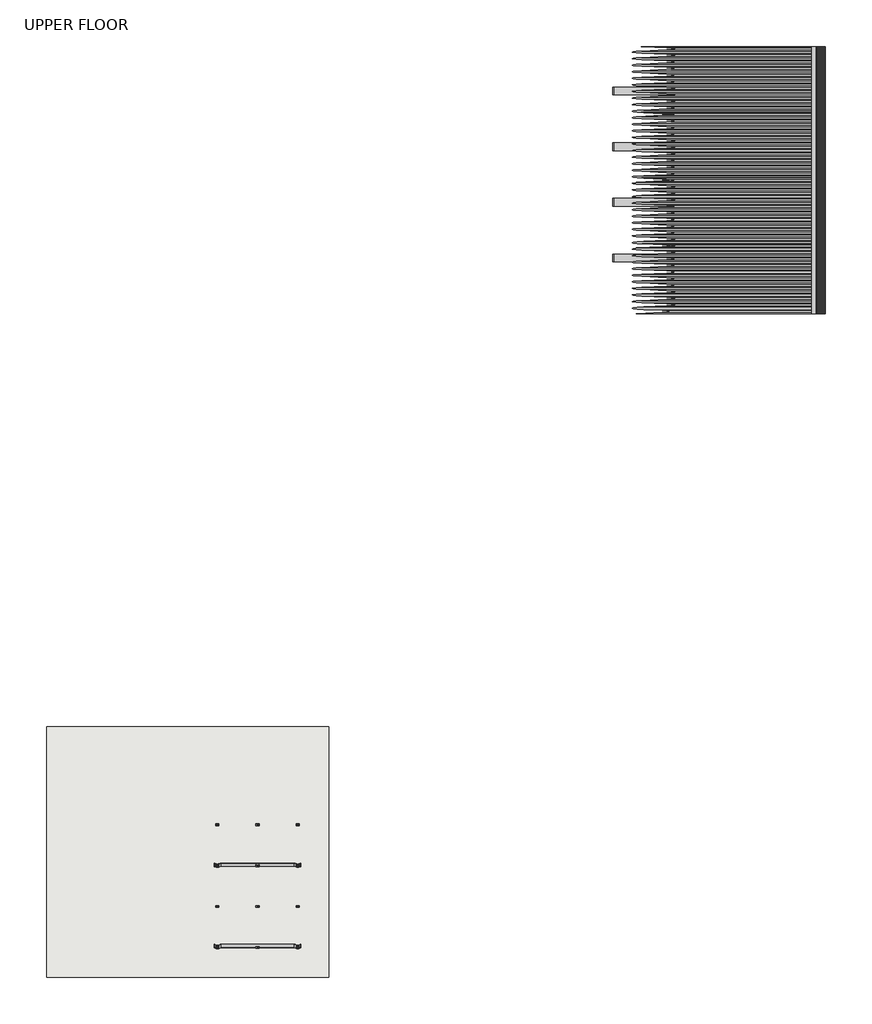
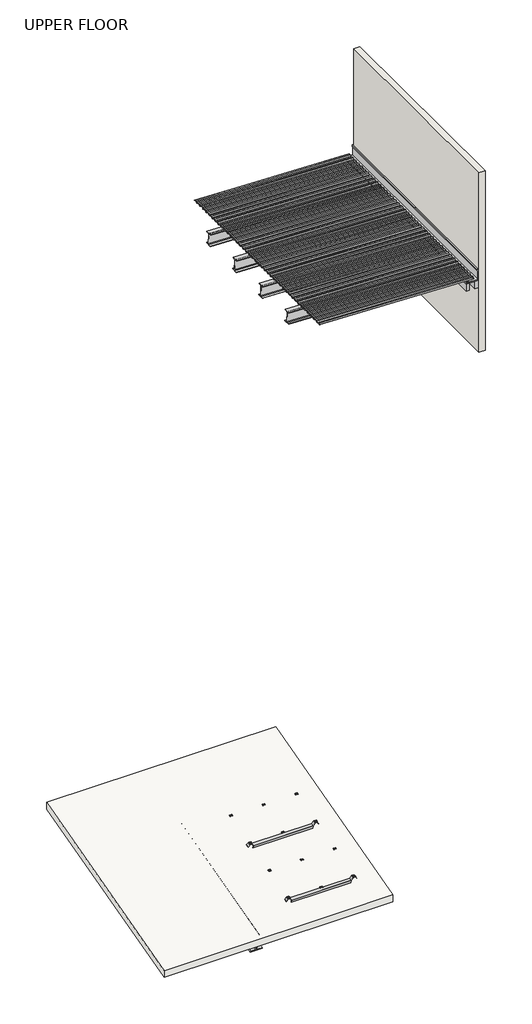
# One storey: 23 beams, 4 proxies, 1 roof, 1 wall.
"""IFC4 building model written with IfcOpenShell, lengths in millimetres."""

import ifcopenshell
import ifcopenshell.guid

model = None  # the IFC model being written
_history = None  # IfcOwnerHistory: only IFC2X3 demands one
_inside = {}  # id of a spatial element -> (the spatial element, [elements in it])
_under = {}  # id of a project, library or spatial element -> (it, [spatial elements below it])
_declared = {}  # id of a project -> (the project, [libraries it declares])
_typed = {}  # id of a type object -> (the type object, [elements of that type])
_made_of = {}  # id of a material, layer set ... -> (it, [elements and type objects made of it])


def new_model(schema):
    """Start an empty IFC model of exactly this schema.

    Asked for "IFC4X3", IfcOpenShell would pick the latest addendum, in which some entities
    have other attributes; the version numbers below select the first issue.
    IFC2X3 requires an IfcOwnerHistory on every rooted entity: one is made here for all.
    """
    global model, _history
    if schema == "IFC4X3":
        model = ifcopenshell.file(schema_version=(4, 3, 0, 0))
    else:
        model = ifcopenshell.file(schema=schema)
    _inside.clear()
    _under.clear()
    _declared.clear()
    _typed.clear()
    _made_of.clear()
    _history = None
    if model.schema == "IFC2X3":
        org = make("IfcOrganization", Name="unknown")
        user = make(
            "IfcPersonAndOrganization",
            ThePerson=make("IfcPerson", FamilyName="unknown"),
            TheOrganization=org,
        )
        app = make(
            "IfcApplication",
            ApplicationDeveloper=org,
            Version="unknown",
            ApplicationFullName="unknown",
            ApplicationIdentifier="unknown",
        )
        _history = make(
            "IfcOwnerHistory",
            OwningUser=user,
            OwningApplication=app,
            ChangeAction="ADDED",
            CreationDate=0,
        )
    return model


def make(cls, **values):
    """One entity of the class cls with the attributes given. An attribute that is None is left unset."""
    return model.create_entity(
        cls, **{name: value for name, value in values.items() if value is not None}
    )


def rooted(cls, **values):
    """An entity with a GlobalId (a new one), such as an element, a storey or a relation."""
    return make(cls, GlobalId=ifcopenshell.guid.new(), OwnerHistory=_history, **values)


def si_unit(unit_type, name, prefix=None):
    """IfcSIUnit, for example si_unit("LENGTHUNIT", "METRE", prefix="MILLI")."""
    return make("IfcSIUnit", UnitType=unit_type, Prefix=prefix, Name=name)


def assignment(units):
    """IfcUnitAssignment: the units of a project."""
    return None if units is None else make("IfcUnitAssignment", Units=units)


def point(xyz):
    """IfcCartesianPoint."""
    return None if xyz is None else make("IfcCartesianPoint", Coordinates=xyz)


def direction(xyz):
    """IfcDirection."""
    return None if xyz is None else make("IfcDirection", DirectionRatios=xyz)


def frame(location, z_axis=None, x_axis=None):
    """IfcAxis2Placement3D, a coordinate frame: its origin and axes. An axis left out is left unset."""
    return make(
        "IfcAxis2Placement3D",
        Location=point(location),
        Axis=direction(z_axis),
        RefDirection=direction(x_axis),
    )


def frame_2d(location, x_axis=None):
    """IfcAxis2Placement2D, a coordinate frame in the plane: its origin and x axis."""
    return make(
        "IfcAxis2Placement2D", Location=point(location), RefDirection=direction(x_axis)
    )


def origin():
    """The frame at (0, 0, 0) with its axes left unset."""
    return frame((0.0, 0.0, 0.0))


def place(relative_to, where):
    """IfcLocalPlacement: puts the frame where relative to a parent placement (None: the world)."""
    return make(
        "IfcLocalPlacement", PlacementRelTo=relative_to, RelativePlacement=where
    )


def context(
    kind, dimensions, precision=None, world=None, true_north=None, identifier=None
):
    """IfcGeometricRepresentationContext, for example the 3D "Model" context."""
    return make(
        "IfcGeometricRepresentationContext",
        ContextIdentifier=identifier,
        ContextType=kind,
        CoordinateSpaceDimension=dimensions,
        Precision=precision,
        WorldCoordinateSystem=world,
        TrueNorth=true_north,
    )


def project(units=None, contexts=None):
    """IfcProject with its units and contexts."""
    return rooted(
        "IfcProject",
        Name="project",
        RepresentationContexts=contexts,
        UnitsInContext=assignment(units),
    )


def spatial(cls, under=None, at=None, **own):
    """A site, building, storey or space (cls), placed at a placement, below another one or the project."""
    s = rooted(cls, ObjectPlacement=at, **own)
    if under is not None:
        _under.setdefault(under.id(), (under, []))[1].append(s)
    return s


def polyline(points):
    """IfcPolyline through the points."""
    return make("IfcPolyline", Points=[point(p) for p in points])


def circle_curve(where, radius):
    """IfcCircle in the frame where."""
    return make("IfcCircle", Position=where, Radius=radius)


def trimmed(basis, trim1, trim2, sense, master):
    """IfcTrimmedCurve: the piece of a basis curve between two trims."""
    return make(
        "IfcTrimmedCurve",
        BasisCurve=basis,
        Trim1=trim1,
        Trim2=trim2,
        SenseAgreement=sense,
        MasterRepresentation=master,
    )


def segment(curve, same_sense, transition):
    """IfcCompositeCurveSegment."""
    return make(
        "IfcCompositeCurveSegment",
        Transition=transition,
        SameSense=same_sense,
        ParentCurve=curve,
    )


def composite_curve(segments, self_intersect=None):
    """IfcCompositeCurve: segments joined end to end."""
    return make("IfcCompositeCurve", Segments=segments, SelfIntersect=self_intersect)


def outline(outer, holes=None, kind="AREA"):
    """IfcArbitraryClosedProfileDef: a profile drawn as a closed curve; with holes, ...WithVoids."""
    if holes is None:
        return make("IfcArbitraryClosedProfileDef", ProfileType=kind, OuterCurve=outer)
    return make(
        "IfcArbitraryProfileDefWithVoids",
        ProfileType=kind,
        OuterCurve=outer,
        InnerCurves=holes,
    )


def extrude(swept, where, along, depth):
    """IfcExtrudedAreaSolid: the profile swept, set in the frame where, extruded along a direction by depth."""
    return make(
        "IfcExtrudedAreaSolid",
        SweptArea=swept,
        Position=where,
        ExtrudedDirection=direction(along),
        Depth=depth,
    )


def shape(context_of_items, identifier, shape_type, items):
    """IfcShapeRepresentation: the items that make up one representation, for example the "Body"."""
    return make(
        "IfcShapeRepresentation",
        ContextOfItems=context_of_items,
        RepresentationIdentifier=identifier,
        RepresentationType=shape_type,
        Items=items,
    )


def source(mapping_origin, context_of_items, identifier, shape_type, items):
    """IfcRepresentationMap: a shape defined once, which mapped items show again and again."""
    return make(
        "IfcRepresentationMap",
        MappingOrigin=mapping_origin,
        MappedRepresentation=shape(context_of_items, identifier, shape_type, items),
    )


def transform(
    local_origin,
    x_axis=None,
    y_axis=None,
    z_axis=None,
    scale=None,
    scale2=None,
    scale3=None,
    uniform=True,
):
    """IfcCartesianTransformationOperator3D, or its non-uniform kind. x_axis, y_axis, z_axis: its Axis1, 2, 3."""
    if uniform:
        return make(
            "IfcCartesianTransformationOperator3D",
            Axis1=direction(x_axis),
            Axis2=direction(y_axis),
            LocalOrigin=point(local_origin),
            Scale=scale,
            Axis3=direction(z_axis),
        )
    return make(
        "IfcCartesianTransformationOperator3DnonUniform",
        Axis1=direction(x_axis),
        Axis2=direction(y_axis),
        LocalOrigin=point(local_origin),
        Scale=scale,
        Axis3=direction(z_axis),
        Scale2=scale2,
        Scale3=scale3,
    )


def mapped(mapping_source, mapping_target):
    """IfcMappedItem: shows the shape of a source again, moved by a transform."""
    return make(
        "IfcMappedItem", MappingSource=mapping_source, MappingTarget=mapping_target
    )


def made_of(thing, what):
    """Note that an element or type object is made of a material, layer set ...; save() writes the relation."""
    if what is not None:
        _made_of.setdefault(what.id(), (what, []))[1].append(thing)
    return thing


def element(
    cls,
    number,
    at=None,
    inside=None,
    cuts=None,
    type_object=None,
    material=None,
    context=None,
    identifier="Body",
    shape_type=None,
    held_by="IfcProductDefinitionShape",
    body=None,
    shapes=None,
    **own,
):
    """One element of the class cls, such as IfcWall. Its Tag is "e" and its number.

    at: its placement. inside: the storey or other place that contains it. cuts: it is an
    opening in that element (IfcRelVoidsElement). A single representation is given by context,
    identifier, shape_type and body (its items); several are given by shapes. held_by: the class
    of the entity that holds the representations. save() writes the other relations.
    """
    e = rooted(cls, Tag="e%d" % number, ObjectPlacement=at, **own)
    if body is not None:
        shapes = [shape(context, identifier, shape_type, body)]
    if shapes is not None:
        e.Representation = make(held_by, Representations=shapes)
    if inside is not None:
        _inside.setdefault(inside.id(), (inside, []))[1].append(e)
    if cuts is not None:
        rooted(
            "IfcRelVoidsElement", RelatingBuildingElement=cuts, RelatedOpeningElement=e
        )
    if type_object is not None:
        _typed.setdefault(type_object.id(), (type_object, []))[1].append(e)
    return made_of(e, material)


def aggregate(whole, parts):
    """IfcRelAggregates: a whole, such as a stair, and the parts it consists of."""
    return rooted("IfcRelAggregates", RelatingObject=whole, RelatedObjects=parts)


def save(model, path):
    """Write the relations noted so far, then the file.

    IfcRelAggregates (storeys below a building ...), IfcRelContainedInSpatialStructure (elements
    in a storey), IfcRelDefinesByType, IfcRelAssociatesMaterial and IfcRelDeclares: one each for
    every whole, place, type object, material and project.
    """
    for whole, parts in _under.values():
        aggregate(whole, parts)
    for where, things in _inside.values():
        rooted(
            "IfcRelContainedInSpatialStructure",
            RelatedElements=things,
            RelatingStructure=where,
        )
    for kind, things in _typed.values():
        rooted("IfcRelDefinesByType", RelatedObjects=things, RelatingType=kind)
    for what, things in _made_of.values():
        rooted("IfcRelAssociatesMaterial", RelatedObjects=things, RelatingMaterial=what)
    for by, libraries in _declared.values():
        rooted("IfcRelDeclares", RelatingContext=by, RelatedDefinitions=libraries)
    model.write(path)


def beam_9de5c819(model_context):
    return source(origin(), model_context, "Body", "SweptSolid", [
        extrude(outline(polyline([(2.0, 3.4641016), (4.0, 0.0), (2.0, -3.4641016), (-2.0, -3.4641016), (-4.0, 0.0), (-2.0, 3.4641016), (2.0, 3.4641016)])), frame((0.0, 0.0, -25.7896475), z_axis=(0.0, 0.0, 1.0), x_axis=(1.0, 0.0, 0.0)), (0.0, 0.0, 1.0), 3.0),
        extrude(outline(composite_curve([segment(trimmed(circle_curve(frame_2d((-11.5, -34.3396475)), 7.55), [point((-11.5, -26.7896475))], [point((-17.6845978, -30.0091452))], True, "CARTESIAN"), True, "CONTINUOUS"), segment(trimmed(circle_curve(frame_2d((-18.0941738, -29.7223569)), 0.5), [point((-17.6845978, -30.0091452))], [point((-18.5037498, -29.4355687))], False, "CARTESIAN"), True, "CONTINUOUS"), segment(trimmed(circle_curve(frame_2d((-11.5, -34.3396475)), 8.55), [point((-18.5037498, -29.4355687))], [point((-11.5, -25.7896475))], False, "CARTESIAN"), True, "CONTINUOUS"), segment(polyline([(-11.5, -25.7896475), (11.5, -25.7896475)]), True, "CONTINUOUS"), segment(trimmed(circle_curve(frame_2d((11.5, -34.3396475)), 8.55), [point((11.5, -25.7896475))], [point((18.5037498, -29.4355687))], False, "CARTESIAN"), True, "CONTINUOUS"), segment(trimmed(circle_curve(frame_2d((18.0941738, -29.7223569)), 0.5), [point((18.5037498, -29.4355687))], [point((17.6845978, -30.0091452))], False, "CARTESIAN"), True, "CONTINUOUS"), segment(trimmed(circle_curve(frame_2d((11.5, -34.3396475)), 7.55), [point((17.6845978, -30.0091452))], [point((11.5, -26.7896475))], True, "CARTESIAN"), True, "CONTINUOUS"), segment(polyline([(11.5, -26.7896475), (-11.5, -26.7896475)]), True, "CONTINUOUS")], self_intersect=False)), frame((-10.003063, 0.0, 0.0), z_axis=(1.0, 0.0, 0.0), x_axis=(0.0, 1.0, 0.0)), (0.0, 0.0, 1.0), 20.0061261),
    ])


def beam_13ac7b86(model_context):
    return source(origin(), model_context, "Body", "SweptSolid", [
        extrude(outline(composite_curve([segment(trimmed(circle_curve(frame_2d((-114.0, -3.7896475)), 22.0), [point((-101.5070748, -21.8983973))], [point((-126.4929252, -21.8983973))], False, "CARTESIAN"), True, "CONTINUOUS"), segment(polyline([(-126.4929252, -21.8983973), (-140.8417071, -11.9994114)]), True, "CONTINUOUS"), segment(trimmed(circle_curve(frame_2d((-152.0, -29.7896475)), 21.0), [point((-140.8417071, -11.9994114))], [point((-163.1582929, -11.9994114))], True, "CARTESIAN"), True, "CONTINUOUS"), segment(polyline([(-163.1582929, -11.9994114), (-177.5070748, -21.8983973)]), True, "CONTINUOUS"), segment(trimmed(circle_curve(frame_2d((-190.0, -3.7896475)), 22.0), [point((-177.5070748, -21.8983973))], [point((-202.4929252, -21.8983973))], False, "CARTESIAN"), True, "CONTINUOUS"), segment(polyline([(-202.4929252, -21.8983973), (-216.8417071, -11.9994114)]), True, "CONTINUOUS"), segment(trimmed(circle_curve(frame_2d((-228.0, -29.7896475)), 21.0), [point((-216.8417071, -11.9994114))], [point((-239.1582929, -11.9994114))], True, "CARTESIAN"), True, "CONTINUOUS"), segment(polyline([(-239.1582929, -11.9994114), (-253.5070748, -21.8983973)]), True, "CONTINUOUS"), segment(trimmed(circle_curve(frame_2d((-266.0, -3.7896475)), 22.0), [point((-253.5070748, -21.8983973))], [point((-278.4929252, -21.8983973))], False, "CARTESIAN"), True, "CONTINUOUS"), segment(polyline([(-278.4929252, -21.8983973), (-292.8417071, -11.9994114)]), True, "CONTINUOUS"), segment(trimmed(circle_curve(frame_2d((-304.0, -29.7896475)), 21.0), [point((-292.8417071, -11.9994114))], [point((-315.1582929, -11.9994114))], True, "CARTESIAN"), True, "CONTINUOUS"), segment(polyline([(-315.1582929, -11.9994114), (-329.5070748, -21.8983973)]), True, "CONTINUOUS"), segment(trimmed(circle_curve(frame_2d((-342.0, -3.7896475)), 22.0), [point((-329.5070748, -21.8983973))], [point((-354.4929252, -21.8983973))], False, "CARTESIAN"), True, "CONTINUOUS"), segment(polyline([(-354.4929252, -21.8983973), (-368.8417071, -11.9994114)]), True, "CONTINUOUS"), segment(trimmed(circle_curve(frame_2d((-380.0, -29.7896475)), 21.0), [point((-368.8417071, -11.9994114))], [point((-391.1582929, -11.9994114))], True, "CARTESIAN"), True, "CONTINUOUS"), segment(polyline([(-391.1582929, -11.9994114), (-405.5070748, -21.8983973)]), True, "CONTINUOUS"), segment(trimmed(circle_curve(frame_2d((-418.0, -3.7896475)), 22.0), [point((-405.5070748, -21.8983973))], [point((-430.4929252, -21.8983973))], False, "CARTESIAN"), True, "CONTINUOUS"), segment(polyline([(-430.4929252, -21.8983973), (-444.8417071, -11.9994114)]), True, "CONTINUOUS"), segment(trimmed(circle_curve(frame_2d((-456.0, -29.7896475)), 21.0), [point((-444.8417071, -11.9994114))], [point((-467.1582929, -11.9994114))], True, "CARTESIAN"), True, "CONTINUOUS"), segment(polyline([(-467.1582929, -11.9994114), (-481.5070748, -21.8983973)]), True, "CONTINUOUS"), segment(trimmed(circle_curve(frame_2d((-494.0, -3.7896475)), 22.0), [point((-481.5070748, -21.8983973))], [point((-506.4929252, -21.8983973))], False, "CARTESIAN"), True, "CONTINUOUS"), segment(polyline([(-506.4929252, -21.8983973), (-520.8417071, -11.9994114)]), True, "CONTINUOUS"), segment(trimmed(circle_curve(frame_2d((-532.0, -29.7896475)), 21.0), [point((-520.8417071, -11.9994114))], [point((-543.1582929, -11.9994114))], True, "CARTESIAN"), True, "CONTINUOUS"), segment(polyline([(-543.1582929, -11.9994114), (-557.5070748, -21.8983973)]), True, "CONTINUOUS"), segment(trimmed(circle_curve(frame_2d((-570.0, -3.7896475)), 22.0), [point((-557.5070748, -21.8983973))], [point((-582.4929252, -21.8983973))], False, "CARTESIAN"), True, "CONTINUOUS"), segment(polyline([(-582.4929252, -21.8983973), (-596.8417071, -11.9994114)]), True, "CONTINUOUS"), segment(trimmed(circle_curve(frame_2d((-608.0, -29.7896475)), 21.0), [point((-596.8417071, -11.9994114))], [point((-619.1582929, -11.9994114))], True, "CARTESIAN"), True, "CONTINUOUS"), segment(polyline([(-619.1582929, -11.9994114), (-633.5070748, -21.8983973)]), True, "CONTINUOUS"), segment(trimmed(circle_curve(frame_2d((-646.0, -3.7896475)), 22.0), [point((-633.5070748, -21.8983973))], [point((-658.4929252, -21.8983973))], False, "CARTESIAN"), True, "CONTINUOUS"), segment(polyline([(-658.4929252, -21.8983973), (-672.8417071, -11.9994114)]), True, "CONTINUOUS"), segment(trimmed(circle_curve(frame_2d((-684.0, -29.7896475)), 21.0), [point((-672.8417071, -11.9994114))], [point((-695.1582929, -11.9994114))], True, "CARTESIAN"), True, "CONTINUOUS"), segment(polyline([(-695.1582929, -11.9994114), (-709.5070748, -21.8983973)]), True, "CONTINUOUS"), segment(trimmed(circle_curve(frame_2d((-722.0, -3.7896475)), 22.0), [point((-709.5070748, -21.8983973))], [point((-734.4929252, -21.8983973))], False, "CARTESIAN"), True, "CONTINUOUS"), segment(polyline([(-734.4929252, -21.8983973), (-748.8417071, -11.9994114)]), True, "CONTINUOUS"), segment(trimmed(circle_curve(frame_2d((-760.0, -29.7896475)), 21.0), [point((-748.8417071, -11.9994114))], [point((-771.1582929, -11.9994114))], True, "CARTESIAN"), True, "CONTINUOUS"), segment(polyline([(-771.1582929, -11.9994114), (-785.1206351, -21.631799)]), True, "CONTINUOUS"), segment(trimmed(circle_curve(frame_2d((-785.4045652, -21.2202365)), 0.5), [point((-785.1206351, -21.631799))], [point((-785.6884953, -20.808674))], False, "CARTESIAN"), True, "CONTINUOUS"), segment(polyline([(-785.6884953, -20.808674), (-771.7083687, -11.1640172)]), True, "CONTINUOUS"), segment(trimmed(circle_curve(frame_2d((-760.0, -29.7896475)), 22.0), [point((-771.7083687, -11.1640172))], [point((-748.2916313, -11.1640172))], False, "CARTESIAN"), True, "CONTINUOUS"), segment(polyline([(-748.2916313, -11.1640172), (-733.925065, -21.0752723)]), True, "CONTINUOUS"), segment(trimmed(circle_curve(frame_2d((-722.0, -3.7896475)), 21.0), [point((-733.925065, -21.0752723))], [point((-710.074935, -21.0752723))], True, "CARTESIAN"), True, "CONTINUOUS"), segment(polyline([(-710.074935, -21.0752723), (-695.7083687, -11.1640172)]), True, "CONTINUOUS"), segment(trimmed(circle_curve(frame_2d((-684.0, -29.7896475)), 22.0), [point((-695.7083687, -11.1640172))], [point((-672.2916313, -11.1640172))], False, "CARTESIAN"), True, "CONTINUOUS"), segment(polyline([(-672.2916313, -11.1640172), (-657.925065, -21.0752723)]), True, "CONTINUOUS"), segment(trimmed(circle_curve(frame_2d((-646.0, -3.7896475)), 21.0), [point((-657.925065, -21.0752723))], [point((-634.074935, -21.0752723))], True, "CARTESIAN"), True, "CONTINUOUS"), segment(polyline([(-634.074935, -21.0752723), (-619.7083687, -11.1640172)]), True, "CONTINUOUS"), segment(trimmed(circle_curve(frame_2d((-608.0, -29.7896475)), 22.0), [point((-619.7083687, -11.1640172))], [point((-596.2916313, -11.1640172))], False, "CARTESIAN"), True, "CONTINUOUS"), segment(polyline([(-596.2916313, -11.1640172), (-581.925065, -21.0752723)]), True, "CONTINUOUS"), segment(trimmed(circle_curve(frame_2d((-570.0, -3.7896475)), 21.0), [point((-581.925065, -21.0752723))], [point((-558.074935, -21.0752723))], True, "CARTESIAN"), True, "CONTINUOUS"), segment(polyline([(-558.074935, -21.0752723), (-543.7083687, -11.1640172)]), True, "CONTINUOUS"), segment(trimmed(circle_curve(frame_2d((-532.0, -29.7896475)), 22.0), [point((-543.7083687, -11.1640172))], [point((-520.2916313, -11.1640172))], False, "CARTESIAN"), True, "CONTINUOUS"), segment(polyline([(-520.2916313, -11.1640172), (-505.925065, -21.0752723)]), True, "CONTINUOUS"), segment(trimmed(circle_curve(frame_2d((-494.0, -3.7896475)), 21.0), [point((-505.925065, -21.0752723))], [point((-482.074935, -21.0752723))], True, "CARTESIAN"), True, "CONTINUOUS"), segment(polyline([(-482.074935, -21.0752723), (-467.7083687, -11.1640172)]), True, "CONTINUOUS"), segment(trimmed(circle_curve(frame_2d((-456.0, -29.7896475)), 22.0), [point((-467.7083687, -11.1640172))], [point((-444.2916313, -11.1640172))], False, "CARTESIAN"), True, "CONTINUOUS"), segment(polyline([(-444.2916313, -11.1640172), (-429.925065, -21.0752723)]), True, "CONTINUOUS"), segment(trimmed(circle_curve(frame_2d((-418.0, -3.7896475)), 21.0), [point((-429.925065, -21.0752723))], [point((-406.074935, -21.0752723))], True, "CARTESIAN"), True, "CONTINUOUS"), segment(polyline([(-406.074935, -21.0752723), (-391.7083687, -11.1640172)]), True, "CONTINUOUS"), segment(trimmed(circle_curve(frame_2d((-380.0, -29.7896475)), 22.0), [point((-391.7083687, -11.1640172))], [point((-368.2916313, -11.1640172))], False, "CARTESIAN"), True, "CONTINUOUS"), segment(polyline([(-368.2916313, -11.1640172), (-353.925065, -21.0752723)]), True, "CONTINUOUS"), segment(trimmed(circle_curve(frame_2d((-342.0, -3.7896475)), 21.0), [point((-353.925065, -21.0752723))], [point((-330.074935, -21.0752723))], True, "CARTESIAN"), True, "CONTINUOUS"), segment(polyline([(-330.074935, -21.0752723), (-315.7083687, -11.1640172)]), True, "CONTINUOUS"), segment(trimmed(circle_curve(frame_2d((-304.0, -29.7896475)), 22.0), [point((-315.7083687, -11.1640172))], [point((-292.2916313, -11.1640172))], False, "CARTESIAN"), True, "CONTINUOUS"), segment(polyline([(-292.2916313, -11.1640172), (-277.925065, -21.0752723)]), True, "CONTINUOUS"), segment(trimmed(circle_curve(frame_2d((-266.0, -3.7896475)), 21.0), [point((-277.925065, -21.0752723))], [point((-254.074935, -21.0752723))], True, "CARTESIAN"), True, "CONTINUOUS"), segment(polyline([(-254.074935, -21.0752723), (-239.7083687, -11.1640172)]), True, "CONTINUOUS"), segment(trimmed(circle_curve(frame_2d((-228.0, -29.7896475)), 22.0), [point((-239.7083687, -11.1640172))], [point((-216.2916313, -11.1640172))], False, "CARTESIAN"), True, "CONTINUOUS"), segment(polyline([(-216.2916313, -11.1640172), (-201.925065, -21.0752723)]), True, "CONTINUOUS"), segment(trimmed(circle_curve(frame_2d((-190.0, -3.7896475)), 21.0), [point((-201.925065, -21.0752723))], [point((-178.074935, -21.0752723))], True, "CARTESIAN"), True, "CONTINUOUS"), segment(polyline([(-178.074935, -21.0752723), (-163.7083687, -11.1640172)]), True, "CONTINUOUS"), segment(trimmed(circle_curve(frame_2d((-152.0, -29.7896475)), 22.0), [point((-163.7083687, -11.1640172))], [point((-140.2916313, -11.1640172))], False, "CARTESIAN"), True, "CONTINUOUS"), segment(polyline([(-140.2916313, -11.1640172), (-125.925065, -21.0752723)]), True, "CONTINUOUS"), segment(trimmed(circle_curve(frame_2d((-114.0, -3.7896475)), 21.0), [point((-125.925065, -21.0752723))], [point((-102.074935, -21.0752723))], True, "CARTESIAN"), True, "CONTINUOUS"), segment(polyline([(-102.074935, -21.0752723), (-87.7083687, -11.1640172)]), True, "CONTINUOUS"), segment(trimmed(circle_curve(frame_2d((-76.0, -29.7896475)), 22.0), [point((-87.7083687, -11.1640172))], [point((-64.2916313, -11.1640172))], False, "CARTESIAN"), True, "CONTINUOUS"), segment(polyline([(-64.2916313, -11.1640172), (-51.2411976, -20.1672943)]), True, "CONTINUOUS"), segment(trimmed(circle_curve(frame_2d((-36.2390033, 1.8579031)), 26.6491117), [point((-51.2411976, -20.1672943))], [point((-21.236809, -20.1672943))], True, "CARTESIAN"), True, "CONTINUOUS"), segment(polyline([(-21.236809, -20.1672943), (-10.6086461, -12.8351015)]), True, "CONTINUOUS"), segment(trimmed(circle_curve(frame_2d((0.0, -29.7896475)), 20.0), [point((-10.6086461, -12.8351015))], [point((10.6086461, -12.8351015))], False, "CARTESIAN"), True, "CONTINUOUS"), segment(polyline([(10.6086461, -12.8351015), (24.9392146, -22.7215223)]), True, "CONTINUOUS"), segment(trimmed(circle_curve(frame_2d((24.6552844, -23.1330848)), 0.5), [point((24.9392146, -22.7215223))], [point((24.3713543, -23.5446473))], False, "CARTESIAN"), True, "CONTINUOUS"), segment(polyline([(24.3713543, -23.5446473), (10.0594608, -13.6711101)]), True, "CONTINUOUS"), segment(trimmed(circle_curve(frame_2d((0.0, -29.7896475)), 19.0), [point((10.0594608, -13.6711101))], [point((-10.0594608, -13.6711101))], True, "CARTESIAN"), True, "CONTINUOUS"), segment(polyline([(-10.0594608, -13.6711101), (-20.4055053, -20.808674)]), True, "CONTINUOUS"), segment(trimmed(circle_curve(frame_2d((-36.2390033, 1.8579031)), 27.6491117), [point((-20.4055053, -20.808674))], [point((-51.8066318, -20.992093))], False, "CARTESIAN"), True, "CONTINUOUS"), segment(polyline([(-51.8066318, -20.992093), (-64.8417071, -11.9994114)]), True, "CONTINUOUS"), segment(trimmed(circle_curve(frame_2d((-76.0, -29.7896475)), 21.0), [point((-64.8417071, -11.9994114))], [point((-87.1582929, -11.9994114))], True, "CARTESIAN"), True, "CONTINUOUS"), segment(polyline([(-87.1582929, -11.9994114), (-101.5070748, -21.8983973)]), True, "CONTINUOUS")], self_intersect=False)), frame((-1100.6390189, 0.0, 0.0), z_axis=(1.0, 0.0, 0.0), x_axis=(0.0, 1.0, 0.0)), (0.0, 0.0, 1.0), 2201.2780379),
    ])


def ub_universal_beams_310ub40_4_2dd72c29(model_context):
    return source(origin(), model_context, "Body", "SweptSolid", [
        extrude(outline(composite_curve([segment(polyline([(82.5, -141.8), (82.5, -152.0), (-82.5, -152.0), (-82.5, -141.8), (-14.45, -141.8)]), True, "CONTINUOUS"), segment(trimmed(circle_curve(frame_2d((-14.45, -130.4)), 11.4), [point((-14.45, -141.8))], [point((-3.05, -130.4))], True, "CARTESIAN"), True, "CONTINUOUS"), segment(polyline([(-3.05, -130.4), (-3.05, 130.4)]), True, "CONTINUOUS"), segment(trimmed(circle_curve(frame_2d((-14.45, 130.4)), 11.4), [point((-3.05, 130.4))], [point((-14.45, 141.8))], True, "CARTESIAN"), True, "CONTINUOUS"), segment(polyline([(-14.45, 141.8), (-82.5, 141.8), (-82.5, 152.0), (82.5, 152.0), (82.5, 141.8), (14.45, 141.8)]), True, "CONTINUOUS"), segment(trimmed(circle_curve(frame_2d((14.45, 130.4)), 11.4), [point((14.45, 141.8))], [point((3.05, 130.4))], True, "CARTESIAN"), True, "CONTINUOUS"), segment(polyline([(3.05, 130.4), (3.05, -130.4)]), True, "CONTINUOUS"), segment(trimmed(circle_curve(frame_2d((14.45, -130.4)), 11.4), [point((3.05, -130.4))], [point((14.45, -141.8))], True, "CARTESIAN"), True, "CONTINUOUS"), segment(polyline([(14.45, -141.8), (82.5, -141.8)]), True, "CONTINUOUS")], self_intersect=False)), frame((-1119.7, 0.0, 0.0), z_axis=(1.0, 0.0, 0.0), x_axis=(0.0, 1.0, 0.0)), (0.0, 0.0, 1.0), 2026.7),
    ])


def ub_universal_beams1_180ub16_1_2_0ceb9c67(model_context):
    return source(origin(), model_context, "Body", "SweptSolid", [
        extrude(outline(composite_curve([segment(polyline([(45.0, -79.5), (45.0, -86.5), (-45.0, -86.5), (-45.0, -79.5), (-11.15, -79.5)]), True, "CONTINUOUS"), segment(trimmed(circle_curve(frame_2d((-11.15, -70.6)), 8.9), [point((-11.15, -79.5))], [point((-2.25, -70.6))], True, "CARTESIAN"), True, "CONTINUOUS"), segment(polyline([(-2.25, -70.6), (-2.25, 70.6)]), True, "CONTINUOUS"), segment(trimmed(circle_curve(frame_2d((-11.15, 70.6)), 8.9), [point((-2.25, 70.6))], [point((-11.15, 79.5))], True, "CARTESIAN"), True, "CONTINUOUS"), segment(polyline([(-11.15, 79.5), (-45.0, 79.5), (-45.0, 86.5), (45.0, 86.5), (45.0, 79.5), (11.15, 79.5)]), True, "CONTINUOUS"), segment(trimmed(circle_curve(frame_2d((11.15, 70.6)), 8.9), [point((11.15, 79.5))], [point((2.25, 70.6))], True, "CARTESIAN"), True, "CONTINUOUS"), segment(polyline([(2.25, 70.6), (2.25, -70.6)]), True, "CONTINUOUS"), segment(trimmed(circle_curve(frame_2d((11.15, -70.6)), 8.9), [point((2.25, -70.6))], [point((11.15, -79.5))], True, "CARTESIAN"), True, "CONTINUOUS"), segment(polyline([(11.15, -79.5), (45.0, -79.5)]), True, "CONTINUOUS")], self_intersect=False)), frame((-1180.5, 0.0, 0.0), z_axis=(1.0, 0.0, 0.0), x_axis=(0.0, 1.0, 0.0)), (0.0, 0.0, 1.0), 2361.0),
    ])


def generic_models_63b4b1ea(model_context):
    return source(origin(), model_context, "Body", "SweptSolid", [
        extrude(outline(composite_curve([segment(polyline([(3799.2452806, -1367.0226803), (3799.2452806, -1197.0226803), (3949.6655464, -1197.0226803)]), True, "CONTINUOUS"), segment(trimmed(circle_curve(frame_2d((3949.6655464, -1202.0226803)), 5.0), [point((3949.6655464, -1197.0226803))], [point((3949.6655464, -1207.0226803))], False, "CARTESIAN"), True, "CONTINUOUS"), segment(polyline([(3949.6655464, -1207.0226803), (3929.6655464, -1207.0226803), (3929.6655464, -1202.0226803), (3804.2452806, -1202.0226803), (3804.2452806, -1362.0226803), (3823.7887381, -1362.0226803), (3821.6496348, -1337.5726181)]), True, "CONTINUOUS"), segment(trimmed(circle_curve(frame_2d((3824.1401216, -1337.3547288)), 2.5), [point((3821.6496348, -1337.5726181))], [point((3826.6306083, -1337.1368394))], False, "CARTESIAN"), True, "CONTINUOUS"), segment(polyline([(3826.6306083, -1337.1368394), (3829.2452806, -1367.0226803), (3799.2452806, -1367.0226803)]), True, "CONTINUOUS")], self_intersect=False)), frame((0.0, -4545.130694, 0.0), z_axis=(0.0, 1.0, 0.0), x_axis=(0.0, 0.0, 1.0)), (0.0, 0.0, 1.0), 3090.0),
    ])


def proxy_45_x_140_beam_1_45_x_140_truss_622256ae(model_context):
    return source(origin(), model_context, "Body", "SweptSolid", [
        extrude(outline(polyline([(-1197.0226803, -4545.130694), (-1242.0226803, -4545.130694), (-1242.0226803, -1455.130694), (-1197.0226803, -1455.130694), (-1197.0226803, -4545.130694)])), frame((0.0, 0.0, 3679.1177703), z_axis=(0.0, 0.0, 1.0), x_axis=(1.0, 0.0, 0.0)), (0.0, 0.0, 1.0), 105.1275103),
    ])


def proxy_45_x_140_beam_45_x_140_truss_1d6dda72(model_context):
    return source(origin(), model_context, "Body", "SweptSolid", [
        extrude(outline(polyline([(-1197.0226803, -4545.130694), (-1242.0226803, -4545.130694), (-1242.0226803, -1455.130694), (-1197.0226803, -1455.130694), (-1197.0226803, -4545.130694)])), frame((0.0, 0.0, 3675.1978483), z_axis=(0.0, 0.0, 1.0), x_axis=(1.0, 0.0, 0.0)), (0.0, 0.0, 1.0), 109.0474323),
    ])


def gutter_board_gutter_board_72dd4f1a(model_context):
    return source(origin(), model_context, "Body", "SweptSolid", [
        extrude(outline(polyline([(-1197.0226803, -4545.130694), (-1367.0226803, -4545.130694), (-1367.0226803, -1455.130694), (-1197.0226803, -1455.130694), (-1197.0226803, -4545.130694)])), frame((0.0, 0.0, 3784.2452806), z_axis=(0.0, 0.0, 1.0), x_axis=(1.0, 0.0, 0.0)), (0.0, 0.0, 1.0), 15.0),
    ])


model = new_model("IFC4")

# Units and contexts
model_context = context("Model", 3, world=origin())
ifc_project = project(units=[si_unit("LENGTHUNIT", "METRE", prefix="MILLI")], contexts=[model_context])

# Site, building, storey
site = spatial("IfcSite", under=ifc_project)
building = spatial("IfcBuilding", under=site)
storey = spatial("IfcBuildingStorey", under=building, Name="UPPER FLOOR", Elevation=2700.0)

# Beams
placement = place(None, origin())
element("IfcBeam", 1, at=placement, inside=storey, context=model_context, shape_type="SweptSolid", body=[
    extrude(outline(composite_curve([segment(polyline([(1.55, 1.55), (1.55, 24.55)]), True, "CONTINUOUS"), segment(trimmed(circle_curve(frame_2d((0.0, 24.55)), 1.55), [point((1.55, 24.55))], [point((0.9236138, 25.7947641))], True, "CARTESIAN"), True, "CONTINUOUS"), segment(polyline([(0.9236138, 25.7947641), (-35.1616412, 49.6862944)]), True, "CONTINUOUS"), segment(trimmed(circle_curve(frame_2d((-34.8856148, 50.1031989)), 0.5), [point((-35.1616412, 49.6862944))], [point((-34.6095882, 50.5201034))], False, "CARTESIAN"), True, "CONTINUOUS"), segment(polyline([(-34.6095882, 50.5201034), (1.4952259, 26.6156233)]), True, "CONTINUOUS"), segment(trimmed(circle_curve(frame_2d((0.0, 24.55)), 2.55), [point((1.4952259, 26.6156233))], [point((2.55, 24.55))], False, "CARTESIAN"), True, "CONTINUOUS"), segment(polyline([(2.55, 24.55), (2.55, 1.55)]), True, "CONTINUOUS"), segment(trimmed(circle_curve(frame_2d((0.0, 1.55)), 2.55), [point((2.55, 1.55))], [point((1.4952259, -0.5156232))], False, "CARTESIAN"), True, "CONTINUOUS"), segment(polyline([(1.4952259, -0.5156232), (-39.45, -27.6248707), (-39.45, -876.2751293), (1.4952259, -903.3843767)]), True, "CONTINUOUS"), segment(trimmed(circle_curve(frame_2d((0.0, -905.45)), 2.55), [point((1.4952259, -903.3843767))], [point((2.55, -905.45))], False, "CARTESIAN"), True, "CONTINUOUS"), segment(polyline([(2.55, -905.45), (2.55, -928.45)]), True, "CONTINUOUS"), segment(trimmed(circle_curve(frame_2d((0.0, -928.45)), 2.55), [point((2.55, -928.45))], [point((1.4952259, -930.5156232))], False, "CARTESIAN"), True, "CONTINUOUS"), segment(polyline([(1.4952259, -930.5156232), (-34.6095882, -954.4201033)]), True, "CONTINUOUS"), segment(trimmed(circle_curve(frame_2d((-34.8856148, -954.0031988)), 0.5), [point((-34.6095882, -954.4201033))], [point((-35.1616412, -953.5862943))], False, "CARTESIAN"), True, "CONTINUOUS"), segment(polyline([(-35.1616412, -953.5862943), (0.9236138, -929.694764)]), True, "CONTINUOUS"), segment(trimmed(circle_curve(frame_2d((0.0, -928.45)), 1.55), [point((0.9236138, -929.694764))], [point((1.55, -928.45))], True, "CARTESIAN"), True, "CONTINUOUS"), segment(polyline([(1.55, -928.45), (1.55, -905.45)]), True, "CONTINUOUS"), segment(trimmed(circle_curve(frame_2d((0.0, -905.45)), 1.55), [point((1.55, -905.45))], [point((0.9236138, -904.2052359))], True, "CARTESIAN"), True, "CONTINUOUS"), segment(polyline([(0.9236138, -904.2052359), (-40.45, -876.812359), (-40.45, -27.0876409), (0.9236138, 0.305236)]), True, "CONTINUOUS"), segment(trimmed(circle_curve(frame_2d((0.0, 1.55)), 1.55), [point((0.9236138, 0.305236))], [point((1.55, 1.55))], True, "CARTESIAN"), True, "CONTINUOUS")], self_intersect=False)), frame((-7215.3083778, -11890.8527308, 1345.3413841), z_axis=(0.0, 0.9656300499084368, 0.25992038533718337), x_axis=(0.0, -0.25992038533718337, 0.9656300499084368)), (0.0, 0.0, 1.0), 40.0),
    extrude(outline(polyline([(0.0, -1.0000001), (0.0, 0.0), (849.7247181, 0.0), (849.7247181, -1.0000001), (0.0, -1.0000001)])), frame((-8092.1207368, -11868.9765057, 1267.916367), z_axis=(0.0, -0.25992038533718337, 0.9656300499084368), x_axis=(1.0, 0.0, 0.0)), (0.0, 0.0, 1.0), 40.0),
])
element("IfcBeam", 2, at=placement, inside=storey, context=model_context, shape_type="SweptSolid", body=[
    extrude(outline(composite_curve([segment(polyline([(1.55, 1.55), (1.55, 24.55)]), True, "CONTINUOUS"), segment(trimmed(circle_curve(frame_2d((0.0, 24.55)), 1.55), [point((1.55, 24.55))], [point((0.9236139, 25.7947641))], True, "CARTESIAN"), True, "CONTINUOUS"), segment(polyline([(0.9236139, 25.7947641), (-35.1616411, 49.6862944)]), True, "CONTINUOUS"), segment(trimmed(circle_curve(frame_2d((-34.8856147, 50.1031989)), 0.5), [point((-35.1616411, 49.6862944))], [point((-34.6095882, 50.5201034))], False, "CARTESIAN"), True, "CONTINUOUS"), segment(polyline([(-34.6095882, 50.5201034), (1.4952259, 26.6156233)]), True, "CONTINUOUS"), segment(trimmed(circle_curve(frame_2d((0.0, 24.55)), 2.55), [point((1.4952259, 26.6156233))], [point((2.55, 24.55))], False, "CARTESIAN"), True, "CONTINUOUS"), segment(polyline([(2.55, 24.55), (2.55, 1.55)]), True, "CONTINUOUS"), segment(trimmed(circle_curve(frame_2d((0.0, 1.55)), 2.55), [point((2.55, 1.55))], [point((1.4952259, -0.5156232))], False, "CARTESIAN"), True, "CONTINUOUS"), segment(polyline([(1.4952259, -0.5156232), (-39.45, -27.6248707), (-39.45, -876.2751293), (1.4952259, -903.3843767)]), True, "CONTINUOUS"), segment(trimmed(circle_curve(frame_2d((0.0, -905.45)), 2.55), [point((1.4952259, -903.3843767))], [point((2.55, -905.45))], False, "CARTESIAN"), True, "CONTINUOUS"), segment(polyline([(2.55, -905.45), (2.55, -928.45)]), True, "CONTINUOUS"), segment(trimmed(circle_curve(frame_2d((0.0, -928.45)), 2.55), [point((2.55, -928.45))], [point((1.4952259, -930.5156232))], False, "CARTESIAN"), True, "CONTINUOUS"), segment(polyline([(1.4952259, -930.5156232), (-34.6095882, -954.4201033)]), True, "CONTINUOUS"), segment(trimmed(circle_curve(frame_2d((-34.8856147, -954.0031988)), 0.5), [point((-34.6095882, -954.4201033))], [point((-35.1616411, -953.5862943))], False, "CARTESIAN"), True, "CONTINUOUS"), segment(polyline([(-35.1616411, -953.5862943), (0.9236139, -929.694764)]), True, "CONTINUOUS"), segment(trimmed(circle_curve(frame_2d((0.0, -928.45)), 1.55), [point((0.9236139, -929.694764))], [point((1.55, -928.45))], True, "CARTESIAN"), True, "CONTINUOUS"), segment(polyline([(1.55, -928.45), (1.55, -905.45)]), True, "CONTINUOUS"), segment(trimmed(circle_curve(frame_2d((0.0, -905.45)), 1.55), [point((1.55, -905.45))], [point((0.9236139, -904.2052359))], True, "CARTESIAN"), True, "CONTINUOUS"), segment(polyline([(0.9236139, -904.2052359), (-40.45, -876.812359), (-40.45, -27.0876409), (0.9236139, 0.305236)]), True, "CONTINUOUS"), segment(trimmed(circle_curve(frame_2d((0.0, 1.55)), 1.55), [point((0.9236139, 0.305236))], [point((1.55, 1.55))], True, "CARTESIAN"), True, "CONTINUOUS")], self_intersect=False)), frame((-7215.3083778, -10951.070823, 1597.1468425), z_axis=(0.0, 0.9656300499084368, 0.25992038533718337), x_axis=(0.0, -0.25992038533718337, 0.9656300499084368)), (0.0, 0.0, 1.0), 40.0),
    extrude(outline(polyline([(0.0, -1.0), (0.0, 0.0), (849.7247181, 0.0), (849.7247181, -1.0), (0.0, -1.0)])), frame((-8092.1207368, -10929.194598, 1519.7218254), z_axis=(0.0, -0.25992038533718337, 0.9656300499084368), x_axis=(1.0, 0.0, 0.0)), (0.0, 0.0, 1.0), 40.0),
])
beam_shape = beam_9de5c819(model_context)
element("IfcBeam", 3, at=placement, inside=storey, context=model_context, shape_type="MappedRepresentation", body=[
    mapped(beam_shape, transform((-7202.0034266, -11887.6274179, 1381.7719636), x_axis=(0.0, -0.9656300499084401, -0.2599203853371707), y_axis=(1.0, 0.0, 0.0), z_axis=(0.0, -0.25992038533717077, 0.9656300499084403))),
])
element("IfcBeam", 4, at=placement, inside=storey, context=model_context, shape_type="MappedRepresentation", body=[
    mapped(beam_shape, transform((-8132.0815122, -11887.6274179, 1381.7719636), x_axis=(0.0, -0.9656300499084401, -0.2599203853371707), y_axis=(1.0, 0.0, 0.0), z_axis=(0.0, -0.25992038533717077, 0.9656300499084403))),
])
element("IfcBeam", 5, at=placement, inside=storey, context=model_context, shape_type="MappedRepresentation", body=[
    mapped(beam_shape, transform((-7667.0815516, -11887.6274179, 1381.7719636), x_axis=(0.0, -0.9656300499084401, -0.2599203853371707), y_axis=(1.0, 0.0, 0.0), z_axis=(0.0, -0.25992038533717077, 0.9656300499084403))),
])
element("IfcBeam", 6, at=placement, inside=storey, context=model_context, shape_type="MappedRepresentation", body=[
    mapped(beam_shape, transform((-7202.0034266, -10941.0201081, 1635.4146278), x_axis=(0.0, -0.9656300499084401, -0.2599203853371707), y_axis=(1.0, 0.0, 0.0), z_axis=(0.0, -0.25992038533717077, 0.9656300499084403))),
])
element("IfcBeam", 7, at=placement, inside=storey, context=model_context, shape_type="MappedRepresentation", body=[
    mapped(beam_shape, transform((-8132.0815122, -10941.0201081, 1635.4146278), x_axis=(0.0, -0.9656300499084401, -0.2599203853371707), y_axis=(1.0, 0.0, 0.0), z_axis=(0.0, -0.25992038533717077, 0.9656300499084403))),
])
element("IfcBeam", 8, at=placement, inside=storey, context=model_context, shape_type="MappedRepresentation", body=[
    mapped(beam_shape, transform((-7667.0815516, -10941.0201081, 1635.4146278), x_axis=(0.0, -0.9656300499084401, -0.2599203853371707), y_axis=(1.0, 0.0, 0.0), z_axis=(0.0, -0.25992038533717077, 0.9656300499084403))),
])
element("IfcBeam", 9, at=placement, inside=storey, context=model_context, shape_type="MappedRepresentation", body=[
    mapped(beam_shape, transform((-7202.0034266, -11412.8160008, 1508.9972994), x_axis=(0.0, -0.9656300499084401, -0.2599203853371707), y_axis=(1.0, 0.0, 0.0), z_axis=(0.0, -0.25992038533717077, 0.9656300499084403))),
])
element("IfcBeam", 10, at=placement, inside=storey, context=model_context, shape_type="MappedRepresentation", body=[
    mapped(beam_shape, transform((-8132.0815122, -11412.8160008, 1508.9972994), x_axis=(0.0, -0.9656300499084401, -0.2599203853371707), y_axis=(1.0, 0.0, 0.0), z_axis=(0.0, -0.25992038533717077, 0.9656300499084403))),
])
element("IfcBeam", 11, at=placement, inside=storey, context=model_context, shape_type="MappedRepresentation", body=[
    mapped(beam_shape, transform((-7667.0815516, -11412.8160008, 1508.9972994), x_axis=(0.0, -0.9656300499084401, -0.2599203853371707), y_axis=(1.0, 0.0, 0.0), z_axis=(0.0, -0.25992038533717077, 0.9656300499084403))),
])
element("IfcBeam", 12, at=placement, inside=storey, context=model_context, shape_type="MappedRepresentation", body=[
    mapped(beam_shape, transform((-7202.0034266, -10466.2086911, 1762.6399636), x_axis=(0.0, -0.9656300499084401, -0.2599203853371707), y_axis=(1.0, 0.0, 0.0), z_axis=(0.0, -0.25992038533717077, 0.9656300499084403))),
])
element("IfcBeam", 13, at=placement, inside=storey, context=model_context, shape_type="MappedRepresentation", body=[
    mapped(beam_shape, transform((-8132.0815122, -10466.2086911, 1762.6399636), x_axis=(0.0, -0.9656300499084401, -0.2599203853371707), y_axis=(1.0, 0.0, 0.0), z_axis=(0.0, -0.25992038533717077, 0.9656300499084403))),
])
element("IfcBeam", 14, at=placement, inside=storey, context=model_context, shape_type="MappedRepresentation", body=[
    mapped(beam_shape, transform((-7667.0815516, -10466.2086911, 1762.6399636), x_axis=(0.0, -0.9656300499084401, -0.2599203853371707), y_axis=(1.0, 0.0, 0.0), z_axis=(0.0, -0.25992038533717077, 0.9656300499084403))),
])
beam_2_shape = beam_13ac7b86(model_context)
element("IfcBeam", 15, at=placement, inside=storey, context=model_context, shape_type="MappedRepresentation", body=[
    mapped(beam_2_shape, transform((-2355.770992, -4517.0641827, 3891.5237985), x_axis=(-0.9994194109757987, 0.0, 0.03407111628326586), y_axis=(0.0, -1.0000000000000002, 0.0), z_axis=(0.03407111628326598, 0.0, 0.9994194109757987))),
])
element("IfcBeam", 16, at=placement, inside=storey, context=model_context, shape_type="MappedRepresentation", body=[
    mapped(beam_2_shape, transform((-2355.770992, -3757.4137602, 3891.5237985), x_axis=(-0.9994194109757987, 0.0, 0.03407111628326583), y_axis=(0.0, -1.0000000000000002, 0.0), z_axis=(0.03407111628326601, 0.0, 0.9994194109757987))),
])
element("IfcBeam", 17, at=placement, inside=storey, context=model_context, shape_type="MappedRepresentation", body=[
    mapped(beam_2_shape, transform((-2355.770992, -2997.2312049, 3891.5237985), x_axis=(-0.9994194109757987, 0.0, 0.03407111628326583), y_axis=(0.0, -1.0000000000000002, 0.0), z_axis=(0.03407111628326601, 0.0, 0.9994194109757987))),
])
element("IfcBeam", 18, at=placement, inside=storey, context=model_context, shape_type="MappedRepresentation", body=[
    mapped(beam_2_shape, transform((-2355.770992, -2237.5807824, 3891.5237985), x_axis=(-0.9994194109757987, 0.0, 0.03407111628326586), y_axis=(0.0, -1.0000000000000002, 0.0), z_axis=(0.03407111628326598, 0.0, 0.9994194109757987))),
])
ub_universal_beams_310ub40_4_shape = ub_universal_beams_310ub40_4_2dd72c29(model_context)
element("IfcBeam", 19, ObjectType="UB-Universal Beams : 310UB40.4", at=placement, inside=storey, context=model_context, shape_type="MappedRepresentation", body=[
    mapped(ub_universal_beams_310ub40_4_shape, transform((-8645.3628017, -10926.7542518, 1238.187272), x_axis=(0.0, 0.9658732104740659, 0.2590153302191221), y_axis=(-1.0, 0.0, 0.0), z_axis=(0.0, -0.2590153302191221, 0.9658732104740658))),
])
ub_universal_beams1_180ub16_1_2_shape = ub_universal_beams1_180ub16_1_2_0ceb9c67(model_context)
element("IfcBeam", 20, ObjectType="UB-Universal Beams1 : 180UB16.1 2", at=placement, inside=storey, context=model_context, shape_type="MappedRepresentation", body=[
    mapped(ub_universal_beams1_180ub16_1_2_shape, transform((-2370.0446692, -3900.130694, 3627.0670194), x_axis=(-0.999389541597642, 0.0, 0.03493628694144292), y_axis=(0.0, -1.0, 0.0), z_axis=(0.03493628694144305, 0.0, 0.9993895415976422))),
])
element("IfcBeam", 21, ObjectType="UB-Universal Beams1 : 180UB16.1 2", at=placement, inside=storey, context=model_context, shape_type="MappedRepresentation", body=[
    mapped(ub_universal_beams1_180ub16_1_2_shape, transform((-2370.0446692, -3255.130694, 3627.0670194), x_axis=(-0.999389541597642, 0.0, 0.03493628694144292), y_axis=(0.0, -1.0, 0.0), z_axis=(0.03493628694144305, 0.0, 0.9993895415976422))),
])
element("IfcBeam", 22, ObjectType="UB-Universal Beams1 : 180UB16.1 2", at=placement, inside=storey, context=model_context, shape_type="MappedRepresentation", body=[
    mapped(ub_universal_beams1_180ub16_1_2_shape, transform((-2370.0446692, -2610.130694, 3627.0670194), x_axis=(-0.999389541597642, 0.0, 0.03493628694144292), y_axis=(0.0, -1.0, 0.0), z_axis=(0.03493628694144305, 0.0, 0.9993895415976422))),
])
element("IfcBeam", 23, ObjectType="UB-Universal Beams1 : 180UB16.1 2", at=placement, inside=storey, context=model_context, shape_type="MappedRepresentation", body=[
    mapped(ub_universal_beams1_180ub16_1_2_shape, transform((-2370.0446692, -1965.130694, 3627.0670194), x_axis=(-0.999389541597642, 0.0, 0.03493628694144292), y_axis=(0.0, -1.0, 0.0), z_axis=(0.03493628694144305, 0.0, 0.9993895415976422))),
])

# Proxies
generic_models_shape = generic_models_63b4b1ea(model_context)
element("IfcBuildingElementProxy", 24, Name="Generic Models", at=placement, inside=storey, context=model_context, shape_type="MappedRepresentation", body=[
    mapped(generic_models_shape, transform((0.0, 0.0, 0.0), x_axis=(1.0, 0.0, 0.0), y_axis=(0.0, 1.0, 0.0), z_axis=(0.0, 0.0, 1.0))),
])
proxy_45_x_140_beam_1_45_x_140_truss_shape = proxy_45_x_140_beam_1_45_x_140_truss_622256ae(model_context)
element("IfcBuildingElementProxy", 25, Name="45 x 140 beam 1 : 45 x 140 truss", ObjectType="45 x 140 beam 1 : 45 x 140 truss", at=placement, inside=storey, context=model_context, shape_type="MappedRepresentation", body=[
    mapped(proxy_45_x_140_beam_1_45_x_140_truss_shape, transform((-124.7180712, 0.0, 0.0), x_axis=(1.0, 0.0, 0.0), y_axis=(0.0, 1.0, 0.0), z_axis=(0.0, 0.0, 1.0))),
])
proxy_45_x_140_beam_45_x_140_truss_shape = proxy_45_x_140_beam_45_x_140_truss_1d6dda72(model_context)
element("IfcBuildingElementProxy", 26, Name="45 x 140 beam : 45 x 140 truss", ObjectType="45 x 140 beam : 45 x 140 truss", at=placement, inside=storey, context=model_context, shape_type="MappedRepresentation", body=[
    mapped(proxy_45_x_140_beam_45_x_140_truss_shape, transform((0.0, 0.0, 0.0), x_axis=(1.0, 0.0, 0.0), y_axis=(0.0, 1.0, 0.0), z_axis=(0.0, 0.0, 1.0))),
])
gutter_board_gutter_board_shape = gutter_board_gutter_board_72dd4f1a(model_context)
element("IfcBuildingElementProxy", 27, Name="Gutter board : Gutter board", ObjectType="Gutter board : Gutter board", at=placement, inside=storey, context=model_context, shape_type="MappedRepresentation", body=[
    mapped(gutter_board_gutter_board_shape, transform((0.0, 0.0, 0.0), x_axis=(1.0, 0.0, 0.0), y_axis=(0.0, 1.0, 0.0), z_axis=(0.0, 0.0, 1.0))),
])

# Roof
element("IfcRoof", 28, ObjectType="Generic - 100mm", at=placement, inside=storey, context=model_context, shape_type="SweptSolid", body=[
    extrude(outline(polyline([(-12225.8425437, 1160.7733095), (-9325.8425437, 1937.8259676), (-9325.8425437, 1834.2983495), (-12225.8425437, 1057.2456915), (-12225.8425437, 1160.7733095)])), frame((-10109.1822654, 0.0, 0.0), z_axis=(1.0, 0.0, 0.0), x_axis=(0.0, 1.0, 0.0)), (0.0, 0.0, 1.0), 3263.8194638),
])

# Wall
element("IfcWall", 29, ObjectType="Generic 90 Frame", at=placement, inside=storey, context=model_context, shape_type="SweptSolid", body=[
    extrude(outline(polyline([(-1097.0226803, -1455.130694), (-1097.0226803, -4545.130694), (-1187.0226803, -4545.130694), (-1187.0226803, -1455.130694), (-1097.0226803, -1455.130694)])), frame((0.0, 0.0, 2700.0), z_axis=(0.0, 0.0, 1.0), x_axis=(1.0, 0.0, 0.0)), (0.0, 0.0, 1.0), 2700.0),
])

save(model, "model.ifc")
